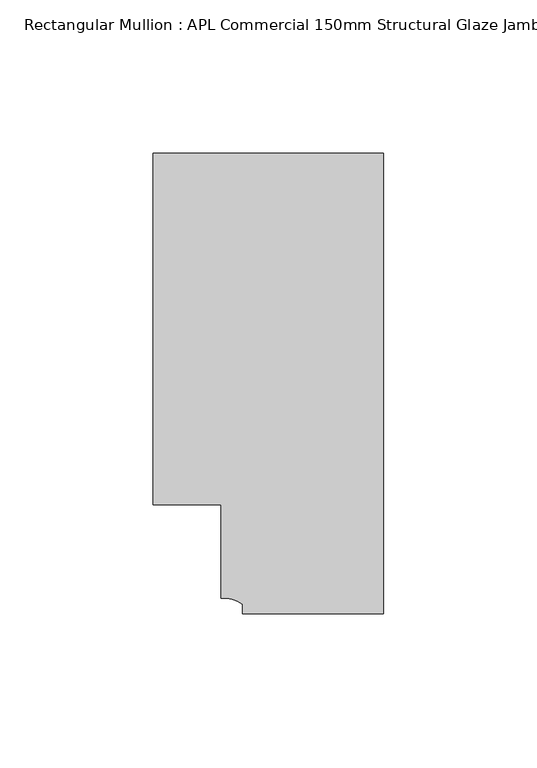
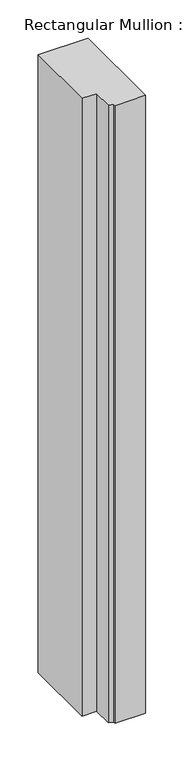
"""IFC4 building model written with IfcOpenShell, lengths in millimetres: member geometry, Rectangular Mullion : APL Commercial 150mm Structural Glaze Jamb Frame (left)."""

from ifc_helpers import new_model, si_unit, point, frame, frame_2d, origin, place, context, project, spatial, polyline, circle_curve, trimmed, segment, composite_curve, outline, extrude, source, transform, mapped, element, save


def rectangular_mullion_apl_commercial_150mm_structural_glaze_da3a8a94(model_context):
    return source(origin(), model_context, "Body", "SweptSolid", [
        extrude(outline(composite_curve([segment(polyline([(0.0, -20.5), (-45.9999842, -20.5), (-45.9999842, -17.3125325)]), True, "CONTINUOUS"), segment(trimmed(circle_curve(frame_2d((-52.1098019, -25.7981812)), 10.4563907), [point((-45.9999842, -17.3125325))], [point((-52.9999391, -15.3797475))], True, "CARTESIAN"), True, "CONTINUOUS"), segment(polyline([(-52.9999391, -15.3797475), (-52.9999391, 15.0000829), (-75.0, 15.0000829), (-75.0, 129.4999988), (0.0, 129.4999988), (0.0, -20.5)]), True, "CONTINUOUS")], self_intersect=False)), frame((0.0, 0.0, -983.346945), z_axis=(0.0, 0.0, 1.0), x_axis=(1.0, 0.0, 0.0)), (0.0, 0.0, 1.0), 983.346945),
    ])


if __name__ == "__main__":
    model = new_model("IFC4")
    model_context = context("Model", 3, world=origin())
    ifc_project = project(units=[si_unit("LENGTHUNIT", "METRE", prefix="MILLI")], contexts=[model_context])
    site = spatial("IfcSite", under=ifc_project)
    building = spatial("IfcBuilding", under=site)
    placement = place(None, origin())
    rectangular_mullion_apl_commercial_150mm_structural_glaze_shape = rectangular_mullion_apl_commercial_150mm_structural_glaze_da3a8a94(model_context)
    element("IfcMember", 1, ObjectType="Rectangular Mullion : APL Commercial 150mm Structural Glaze Jamb Frame (left)", at=placement, inside=building, context=model_context, shape_type="MappedRepresentation", body=[
        mapped(rectangular_mullion_apl_commercial_150mm_structural_glaze_shape, transform((0.0, 0.0, 0.0), x_axis=(1.0, 0.0, 0.0), y_axis=(0.0, 1.0, 0.0), z_axis=(0.0, 0.0, 1.0))),
    ])
    save(model, "model.ifc")
